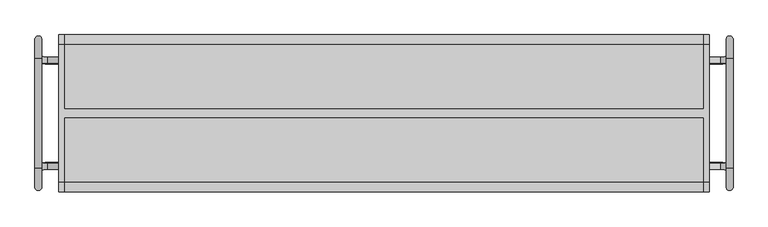
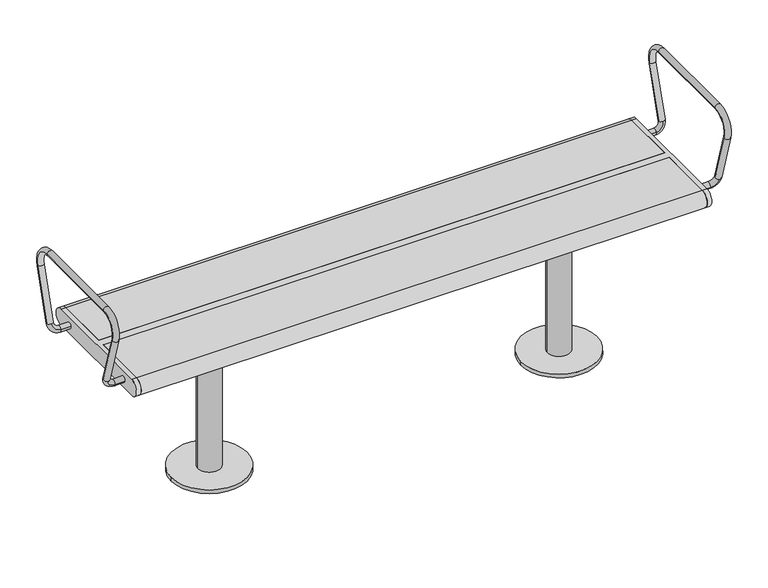
"""IFC4 building model written with IfcOpenShell, lengths in millimetres: furniture geometry."""

from ifc_helpers import new_model, si_unit, point, frame, frame_2d, origin, origin_with_axes, place, context, project, spatial, polyline, circle_curve, ellipse_curve, trimmed, segment, composite_curve, outline, extrude, source, transform, mapped, element, save
from ifc_brep_helpers import plane_surface, cylinder_surface, revolved_surface, advanced_brep


def furniture_1d0c3227(model_context):
    return source(origin(), model_context, "Body", "SolidModel", [
        extrude(outline(composite_curve([segment(trimmed(circle_curve(frame_2d((460.0, 0.0)), 100.0), [point((360.0, 0.0))], [point((560.0, 0.0))], False, "CARTESIAN"), True, "CONTINUOUS"), segment(trimmed(circle_curve(frame_2d((460.0, 0.0)), 100.0), [point((560.0, 0.0))], [point((360.0, 0.0))], False, "CARTESIAN"), True, "CONTINUOUS")], self_intersect=False)), origin_with_axes(), (0.0, 0.0, 1.0), 10.0),
        extrude(outline(composite_curve([segment(trimmed(circle_curve(frame_2d((460.0, 0.0)), 30.0), [point((430.0, 0.0))], [point((490.0, 0.0))], False, "CARTESIAN"), True, "CONTINUOUS"), segment(trimmed(circle_curve(frame_2d((460.0, 0.0)), 30.0), [point((490.0, 0.0))], [point((430.0, 0.0))], False, "CARTESIAN"), True, "CONTINUOUS")], self_intersect=False)), frame((0.0, 0.0, 10.0), z_axis=(0.0, 0.0, 1.0), x_axis=(1.0, 0.0, 0.0)), (0.0, 0.0, 1.0), 379.0),
        extrude(outline(polyline([(535.0, 125.0), (535.0, -125.0), (385.0, -125.0), (385.0, 125.0), (535.0, 125.0)])), frame((0.0, 0.0, 389.0), z_axis=(0.0, 0.0, 1.0), x_axis=(1.0, 0.0, 0.0)), (0.0, 0.0, 1.0), 16.0),
        extrude(outline(composite_curve([segment(trimmed(circle_curve(frame_2d((-460.0, 0.0)), 100.0), [point((-560.0, 0.0))], [point((-360.0, 0.0))], False, "CARTESIAN"), True, "CONTINUOUS"), segment(trimmed(circle_curve(frame_2d((-460.0, 0.0)), 100.0), [point((-360.0, 0.0))], [point((-560.0, 0.0))], False, "CARTESIAN"), True, "CONTINUOUS")], self_intersect=False)), origin_with_axes(), (0.0, 0.0, 1.0), 10.0),
        extrude(outline(composite_curve([segment(trimmed(circle_curve(frame_2d((-460.0, 0.0)), 30.0), [point((-490.0, 0.0))], [point((-430.0, 0.0))], False, "CARTESIAN"), True, "CONTINUOUS"), segment(trimmed(circle_curve(frame_2d((-460.0, 0.0)), 30.0), [point((-430.0, 0.0))], [point((-490.0, 0.0))], False, "CARTESIAN"), True, "CONTINUOUS")], self_intersect=False)), frame((0.0, 0.0, 10.0), z_axis=(0.0, 0.0, 1.0), x_axis=(1.0, 0.0, 0.0)), (0.0, 0.0, 1.0), 379.0),
        extrude(outline(polyline([(-385.0, 125.0), (-385.0, -125.0), (-535.0, -125.0), (-535.0, 125.0), (-385.0, 125.0)])), frame((0.0, 0.0, 389.0), z_axis=(0.0, 0.0, 1.0), x_axis=(1.0, 0.0, 0.0)), (0.0, 0.0, 1.0), 16.0),
        advanced_brep(
        [(797.0, 129.1398058, 447.5823999), (797.0, 170.6460701, 583.3432733), (813.0, 170.6460701, 583.3432733), (813.0, 129.1398058, 447.5823999), (805.0, 136.7902438, 445.2434262), (805.0, 121.4893678, 449.9213735), (813.0, 127.6123561, 641.5), (797.0, 127.6123561, 641.5), (797.0, -127.6123561, 641.5), (813.0, -127.6123561, 641.5), (797.0, -170.6460701, 583.3432733), (813.0, -170.6460701, 583.3432733), (797.0, -129.1398058, 447.5823999), (805.0, -136.7902438, 445.2434262), (813.0, -129.1398058, 447.5823999), (805.0, -121.4893678, 449.9213735), (784.0, -115.349562, 429.8389736), (784.0, -130.650438, 425.1610264), (757.0, -130.650438, 425.1610264), (757.0, -115.349562, 429.8389736), (784.0, 130.650438, 425.1610264), (784.0, 115.349562, 429.8389736), (757.0, 130.650438, 425.1610264), (757.0, 115.349562, 429.8389736)],
        [
            (0, 1),
            (1, 2, circle_curve(frame((805.0, 170.6460701, 583.3432733), z_axis=(0.0, -0.2923717047227381, -0.9563047559630351), x_axis=(-1.0, 0.0, 0.0)), 8.0)),
            (2, 3),
            (3, 4, circle_curve(frame((805.0, 129.1398058, 447.5823999), z_axis=(0.0, 0.2923717047227381, 0.9563047559630351), x_axis=(-1.0, 0.0, 0.0)), 8.0)),
            (4, 0, circle_curve(frame((805.0, 129.1398058, 447.5823999), z_axis=(0.0, 0.2923717047227381, 0.9563047559630351), x_axis=(-1.0, 0.0, 0.0)), 8.0)),
            (0, 5, circle_curve(frame((805.0, 129.1398058, 447.5823999), z_axis=(0.0, 0.2923717047227381, 0.9563047559630351), x_axis=(-1.0, 0.0, 0.0)), 8.0)),
            (5, 3, circle_curve(frame((805.0, 129.1398058, 447.5823999), z_axis=(0.0, 0.2923717047227381, 0.9563047559630351), x_axis=(-1.0, 0.0, 0.0)), 8.0)),
            (2, 1, circle_curve(frame((805.0, 170.6460701, 583.3432733), z_axis=(0.0, -0.2923717047227381, -0.9563047559630351), x_axis=(-1.0, 0.0, 0.0)), 8.0)),
            (6, 7, circle_curve(frame((805.0, 127.6123561, 641.5), z_axis=(0.0, -1.0, 0.0), x_axis=(-1.0, 0.0, 0.0)), 8.0)),
            (7, 8),
            (8, 9, circle_curve(frame((805.0, -127.6123561, 641.5), z_axis=(0.0, 1.0, 0.0), x_axis=(-1.0, 0.0, 0.0)), 8.0)),
            (9, 6),
            (7, 6, circle_curve(frame((805.0, 127.6123561, 641.5), z_axis=(0.0, -1.0, 0.0), x_axis=(-1.0, 0.0, 0.0)), 8.0)),
            (9, 8, circle_curve(frame((805.0, -127.6123561, 641.5), z_axis=(0.0, 1.0, 0.0), x_axis=(-1.0, 0.0, 0.0)), 8.0)),
            (1, 7, circle_curve(frame((797.0, 127.6123561, 596.5), z_axis=(1.0, 0.0, 0.0), x_axis=(0.0, 0.9563047559630351, -0.2923717047227379)), 45.0)),
            (6, 2, circle_curve(frame((813.0, 127.6123561, 596.5), z_axis=(-1.0, 0.0, 0.0), x_axis=(0.0, 0.9563047559630351, -0.2923717047227379)), 45.0)),
            (8, 10, circle_curve(frame((797.0, -127.6123561, 596.5), z_axis=(1.0, 0.0, 0.0), x_axis=(0.0, 0.0, 1.0)), 45.0)),
            (10, 11, circle_curve(frame((805.0, -170.6460701, 583.3432733), z_axis=(0.0, -0.29237170472274115, 0.9563047559630341), x_axis=(-1.0, 0.0, 0.0)), 8.0)),
            (11, 9, circle_curve(frame((813.0, -127.6123561, 596.5), z_axis=(-1.0, 0.0, 0.0), x_axis=(0.0, 0.0, 1.0)), 45.0)),
            (11, 10, circle_curve(frame((805.0, -170.6460701, 583.3432733), z_axis=(0.0, -0.29237170472274093, 0.9563047559630342), x_axis=(-1.0, 0.0, 0.0)), 8.0)),
            (10, 12),
            (12, 13, circle_curve(frame((805.0, -129.1398058, 447.5823999), z_axis=(0.0, -0.29237170472273494, 0.9563047559630361), x_axis=(-1.0, 0.0, 0.0)), 8.0)),
            (13, 14, circle_curve(frame((805.0, -129.1398058, 447.5823999), z_axis=(0.0, -0.29237170472273494, 0.9563047559630361), x_axis=(-1.0, 0.0, 0.0)), 8.0)),
            (14, 11),
            (14, 15, circle_curve(frame((805.0, -129.1398058, 447.5823999), z_axis=(0.0, -0.29237170472273494, 0.9563047559630361), x_axis=(-1.0, 0.0, 0.0)), 8.0)),
            (15, 12, circle_curve(frame((805.0, -129.1398058, 447.5823999), z_axis=(0.0, -0.29237170472273494, 0.9563047559630361), x_axis=(-1.0, 0.0, 0.0)), 8.0)),
            (16, 15, circle_curve(frame((784.0, -121.4893678, 449.9213735), z_axis=(0.0, -0.9563047559630359, -0.29237170472273544), x_axis=(1.0, 0.0, 0.0)), 21.0)),
            (13, 17, circle_curve(frame((784.0, -136.7902438, 445.2434262), z_axis=(0.0, 0.9563047559630359, 0.29237170472273544), x_axis=(1.0, 0.0, 0.0)), 21.0)),
            (17, 16, circle_curve(frame((784.0, -123.0, 427.5), z_axis=(1.0, 0.0, 0.0), x_axis=(0.0, 0.9563047559630359, 0.29237170472273544)), 8.0)),
            (16, 17, circle_curve(frame((784.0, -123.0, 427.5), z_axis=(1.0, 0.0, 0.0), x_axis=(0.0, 0.9563047559630359, 0.29237170472273544)), 8.0)),
            (18, 19, circle_curve(frame((757.0, -123.0, 427.5), z_axis=(-1.0, 0.0, 0.0), x_axis=(0.0, 0.956304755963036, 0.2923717047227355)), 8.0)),
            (19, 18, circle_curve(frame((757.0, -123.0, 427.5), z_axis=(-1.0, 0.0, 0.0), x_axis=(0.0, 0.956304755963036, 0.2923717047227355)), 8.0)),
            (17, 18),
            (19, 16),
            (20, 4, circle_curve(frame((784.0, 136.7902438, 445.2434262), z_axis=(0.0, -0.9563047559630359, 0.29237170472273544), x_axis=(1.0, 0.0, 0.0)), 21.0)),
            (5, 21, circle_curve(frame((784.0, 121.4893678, 449.9213735), z_axis=(0.0, 0.9563047559630359, -0.29237170472273544), x_axis=(1.0, 0.0, 0.0)), 21.0)),
            (21, 20, circle_curve(frame((784.0, 123.0, 427.5), z_axis=(1.0, 0.0, 0.0), x_axis=(0.0, -0.9563047559630359, 0.29237170472273544)), 8.0)),
            (20, 21, circle_curve(frame((784.0, 123.0, 427.5), z_axis=(1.0, 0.0, 0.0), x_axis=(0.0, -0.9563047559630359, 0.29237170472273544)), 8.0)),
            (22, 23, circle_curve(frame((757.0, 123.0, 427.5), z_axis=(-1.0, 0.0, 0.0), x_axis=(0.0, -0.956304755963036, 0.2923717047227355)), 8.0)),
            (23, 22, circle_curve(frame((757.0, 123.0, 427.5), z_axis=(-1.0, 0.0, 0.0), x_axis=(0.0, -0.956304755963036, 0.2923717047227355)), 8.0)),
            (21, 23),
            (22, 20),
        ],
        [
            cylinder_surface(frame((805.0, 129.1398058, 447.5823999), z_axis=(0.0, -0.2923717047227381, -0.9563047559630351), x_axis=(-1.0, 0.0, 0.0)), 8.0),
            cylinder_surface(frame((805.0, 127.6123561, 641.5), z_axis=(0.0, 1.0, 0.0), x_axis=(-1.0, 0.0, 0.0)), 8.0),
            revolved_surface(trimmed(ellipse_curve(frame((805.0, 170.6460701, 583.3432733), z_axis=(0.0, -0.2923717047227378, -0.9563047559630351), x_axis=(-1.0, 0.0, 0.0)), 8.0, 8.0), [point((797.0, 170.6460701, 583.3432733))], [point((813.0, 170.6460701, 583.3432733))], True, "CARTESIAN"), (0.0, 127.6123561, 596.5), (1.0, 0.0, 0.0)),
            revolved_surface(trimmed(ellipse_curve(frame((805.0, 170.6460701, 583.3432733), z_axis=(0.0, -0.2923717047227378, -0.9563047559630351), x_axis=(-1.0, 0.0, 0.0)), 8.0, 8.0), [point((813.0, 170.6460701, 583.3432733))], [point((797.0, 170.6460701, 583.3432733))], True, "CARTESIAN"), (0.0, 127.6123561, 596.5), (1.0, 0.0, 0.0)),
            revolved_surface(trimmed(ellipse_curve(frame((805.0, -127.6123561, 641.5), z_axis=(0.0, 1.0, 0.0), x_axis=(-1.0, 0.0, 0.0)), 8.0, 8.0), [point((797.0, -127.6123561, 641.5))], [point((813.0, -127.6123561, 641.5))], True, "CARTESIAN"), (0.0, -127.6123561, 596.5), (1.0, 0.0, 0.0)),
            revolved_surface(trimmed(ellipse_curve(frame((805.0, -127.6123561, 641.5), z_axis=(0.0, 1.0, 0.0), x_axis=(-1.0, 0.0, 0.0)), 8.0, 8.0), [point((813.0, -127.6123561, 641.5))], [point((797.0, -127.6123561, 641.5))], True, "CARTESIAN"), (0.0, -127.6123561, 596.5), (1.0, 0.0, 0.0)),
            cylinder_surface(frame((805.0, -170.6460701, 583.3432733), z_axis=(0.0, -0.29237170472273494, 0.9563047559630361), x_axis=(-1.0, 0.0, 0.0)), 8.0),
            revolved_surface(trimmed(ellipse_curve(frame((805.0, -129.1398058, 447.5823999), z_axis=(0.0, -0.29237170472273544, 0.9563047559630359), x_axis=(0.0, 0.9563047559630359, 0.29237170472273544)), 8.0, 8.0), [point((805.0, -136.7902438, 445.2434262))], [point((805.0, -121.4893678, 449.9213735))], True, "CARTESIAN"), (784.0, -11.5143208, 483.5441196), (0.0, 0.9563047559630359, 0.29237170472273544)),
            revolved_surface(trimmed(ellipse_curve(frame((805.0, -129.1398058, 447.5823999), z_axis=(0.0, -0.29237170472273544, 0.9563047559630359), x_axis=(0.0, 0.9563047559630359, 0.29237170472273544)), 8.0, 8.0), [point((805.0, -121.4893678, 449.9213735))], [point((805.0, -136.7902438, 445.2434262))], True, "CARTESIAN"), (784.0, -11.5143208, 483.5441196), (0.0, 0.9563047559630359, 0.29237170472273544)),
            plane_surface(frame((757.0, -5.374515, 463.4617197), z_axis=(-1.0, 0.0, 0.0), x_axis=(0.0, 0.9563047559630359, 0.29237170472273544))),
            cylinder_surface(frame((784.0, -123.0, 427.5), z_axis=(1.0, 0.0, 0.0), x_axis=(0.0, 0.956304755963036, 0.2923717047227355)), 8.0),
            revolved_surface(trimmed(ellipse_curve(frame((805.0, 129.1398058, 447.5823999), z_axis=(0.0, 0.29237170472273544, 0.9563047559630359), x_axis=(0.0, -0.9563047559630359, 0.29237170472273544)), 8.0, 8.0), [point((805.0, 121.4893678, 449.9213735))], [point((805.0, 136.7902438, 445.2434262))], True, "CARTESIAN"), (784.0, 11.5143208, 483.5441196), (0.0, 0.9563047559630359, -0.29237170472273544)),
            revolved_surface(trimmed(ellipse_curve(frame((805.0, 129.1398058, 447.5823999), z_axis=(0.0, 0.29237170472273544, 0.9563047559630359), x_axis=(0.0, -0.9563047559630359, 0.29237170472273544)), 8.0, 8.0), [point((805.0, 136.7902438, 445.2434262))], [point((805.0, 121.4893678, 449.9213735))], True, "CARTESIAN"), (784.0, 11.5143208, 483.5441196), (0.0, 0.9563047559630359, -0.29237170472273544)),
            plane_surface(frame((757.0, 5.374515, 463.4617197), z_axis=(-1.0, 0.0, 0.0), x_axis=(0.0, -0.9563047559630359, 0.29237170472273544))),
            cylinder_surface(frame((784.0, 123.0, 427.5), z_axis=(1.0, 0.0, 0.0), x_axis=(0.0, -0.956304755963036, 0.2923717047227355)), 8.0),
        ],
        [
            (0, [[1, 2, 3, 4, 5]]),
            (0, [[-1, 6, 7, -3, 8]]),
            (1, [[9, 10, 11, 12]]),
            (1, [[-10, 13, -12, 14]]),
            (2, [[-2, 15, -9, 16]]),
            (3, [[-8, -16, -13, -15]]),
            (4, [[-11, 17, 18, 19]]),
            (5, [[-14, -19, 20, -17]]),
            (6, [[-18, 21, 22, 23, 24]]),
            (6, [[-20, -24, 25, 26, -21]]),
            (7, [[27, -25, -23, 28, 29]]),
            (8, [[-27, 30, -28, -22, -26]]),
            (9, [[31, 32]]),
            (10, [[-29, 33, -32, 34]]),
            (10, [[-30, -34, -31, -33]]),
            (11, [[35, -4, -7, 36, 37]]),
            (12, [[-35, 38, -36, -6, -5]]),
            (13, [[39, 40]]),
            (14, [[-37, 41, -39, 42]]),
            (14, [[-38, -42, -40, -41]]),
        ],
    ),
        advanced_brep(
        [(-784.0, -130.650438, 425.1610264), (-805.0, -136.7902438, 445.2434262), (-813.0, -129.1398058, 447.5823999), (-805.0, -121.4893678, 449.9213735), (-784.0, -115.349562, 429.8389736), (-797.0, -129.1398058, 447.5823999), (-757.0, -130.650438, 425.1610264), (-757.0, -115.349562, 429.8389736), (-813.0, 129.1398058, 447.5823999), (-813.0, 170.6460701, 583.3432733), (-797.0, 170.6460701, 583.3432733), (-797.0, 129.1398058, 447.5823999), (-805.0, 136.7902438, 445.2434262), (-805.0, 121.4893678, 449.9213735), (-797.0, 127.6123561, 641.5), (-813.0, 127.6123561, 641.5), (-813.0, -127.6123561, 641.5), (-797.0, -127.6123561, 641.5), (-813.0, -170.6460701, 583.3432733), (-797.0, -170.6460701, 583.3432733), (-784.0, 115.349562, 429.8389736), (-784.0, 130.650438, 425.1610264), (-757.0, 130.650438, 425.1610264), (-757.0, 115.349562, 429.8389736)],
        [
            (0, 1, circle_curve(frame((-784.0, -136.7902438, 445.2434262), z_axis=(0.0, 0.9563047559630359, 0.29237170472273544), x_axis=(-1.0, 0.0, 0.0)), 21.0)),
            (1, 2, circle_curve(frame((-805.0, -129.1398058, 447.5823999), z_axis=(0.0, 0.29237170472273544, -0.9563047559630359), x_axis=(0.0, 0.9563047559630359, 0.29237170472273544)), 8.0)),
            (2, 3, circle_curve(frame((-805.0, -129.1398058, 447.5823999), z_axis=(0.0, 0.29237170472273544, -0.9563047559630359), x_axis=(0.0, 0.9563047559630359, 0.29237170472273544)), 8.0)),
            (3, 4, circle_curve(frame((-784.0, -121.4893678, 449.9213735), z_axis=(0.0, -0.9563047559630359, -0.29237170472273544), x_axis=(-1.0, 0.0, 0.0)), 21.0)),
            (4, 0, circle_curve(frame((-784.0, -123.0, 427.5), z_axis=(-1.0, 0.0, 0.0), x_axis=(0.0, 0.9563047559630359, 0.29237170472273544)), 8.0)),
            (0, 4, circle_curve(frame((-784.0, -123.0, 427.5), z_axis=(-1.0, 0.0, 0.0), x_axis=(0.0, 0.9563047559630359, 0.29237170472273544)), 8.0)),
            (3, 5, circle_curve(frame((-805.0, -129.1398058, 447.5823999), z_axis=(0.0, 0.29237170472273544, -0.9563047559630359), x_axis=(0.0, 0.9563047559630359, 0.29237170472273544)), 8.0)),
            (5, 1, circle_curve(frame((-805.0, -129.1398058, 447.5823999), z_axis=(0.0, 0.29237170472273544, -0.9563047559630359), x_axis=(0.0, 0.9563047559630359, 0.29237170472273544)), 8.0)),
            (6, 7, circle_curve(frame((-757.0, -123.0, 427.5), z_axis=(1.0, 0.0, 0.0), x_axis=(0.0, 0.956304755963036, 0.2923717047227355)), 8.0)),
            (7, 6, circle_curve(frame((-757.0, -123.0, 427.5), z_axis=(1.0, 0.0, 0.0), x_axis=(0.0, 0.956304755963036, 0.2923717047227355)), 8.0)),
            (4, 7),
            (6, 0),
            (8, 9),
            (9, 10, circle_curve(frame((-805.0, 170.6460701, 583.3432733), z_axis=(0.0, -0.2923717047227381, -0.9563047559630351), x_axis=(1.0, 0.0, 0.0)), 8.0)),
            (10, 11),
            (11, 12, circle_curve(frame((-805.0, 129.1398058, 447.5823999), z_axis=(0.0, 0.2923717047227381, 0.9563047559630351), x_axis=(1.0, 0.0, 0.0)), 8.0)),
            (12, 8, circle_curve(frame((-805.0, 129.1398058, 447.5823999), z_axis=(0.0, 0.2923717047227381, 0.9563047559630351), x_axis=(1.0, 0.0, 0.0)), 8.0)),
            (8, 13, circle_curve(frame((-805.0, 129.1398058, 447.5823999), z_axis=(0.0, 0.2923717047227381, 0.9563047559630351), x_axis=(1.0, 0.0, 0.0)), 8.0)),
            (13, 11, circle_curve(frame((-805.0, 129.1398058, 447.5823999), z_axis=(0.0, 0.2923717047227381, 0.9563047559630351), x_axis=(1.0, 0.0, 0.0)), 8.0)),
            (10, 9, circle_curve(frame((-805.0, 170.6460701, 583.3432733), z_axis=(0.0, -0.2923717047227381, -0.9563047559630351), x_axis=(1.0, 0.0, 0.0)), 8.0)),
            (14, 15, circle_curve(frame((-805.0, 127.6123561, 641.5), z_axis=(0.0, -1.0, 0.0), x_axis=(1.0, 0.0, 0.0)), 8.0)),
            (15, 16),
            (16, 17, circle_curve(frame((-805.0, -127.6123561, 641.5), z_axis=(0.0, 1.0, 0.0), x_axis=(1.0, 0.0, 0.0)), 8.0)),
            (17, 14),
            (15, 14, circle_curve(frame((-805.0, 127.6123561, 641.5), z_axis=(0.0, -1.0, 0.0), x_axis=(1.0, 0.0, 0.0)), 8.0)),
            (17, 16, circle_curve(frame((-805.0, -127.6123561, 641.5), z_axis=(0.0, 1.0, 0.0), x_axis=(1.0, 0.0, 0.0)), 8.0)),
            (9, 15, circle_curve(frame((-813.0, 127.6123561, 596.5), z_axis=(1.0, 0.0, 0.0), x_axis=(0.0, 0.9563047559630351, -0.2923717047227379)), 45.0)),
            (14, 10, circle_curve(frame((-797.0, 127.6123561, 596.5), z_axis=(-1.0, 0.0, 0.0), x_axis=(0.0, 0.9563047559630351, -0.2923717047227379)), 45.0)),
            (16, 18, circle_curve(frame((-813.0, -127.6123561, 596.5), z_axis=(1.0, 0.0, 0.0), x_axis=(0.0, 0.0, 1.0)), 45.0)),
            (18, 19, circle_curve(frame((-805.0, -170.6460701, 583.3432733), z_axis=(0.0, -0.2923717047227414, 0.9563047559630341), x_axis=(1.0, 0.0, 0.0)), 8.0)),
            (19, 17, circle_curve(frame((-797.0, -127.6123561, 596.5), z_axis=(-1.0, 0.0, 0.0), x_axis=(0.0, 0.0, 1.0)), 45.0)),
            (19, 18, circle_curve(frame((-805.0, -170.6460701, 583.3432733), z_axis=(0.0, -0.2923717047227414, 0.9563047559630341), x_axis=(1.0, 0.0, 0.0)), 8.0)),
            (18, 2),
            (5, 19),
            (20, 13, circle_curve(frame((-784.0, 121.4893678, 449.9213735), z_axis=(0.0, 0.9563047559630359, -0.29237170472273544), x_axis=(-1.0, 0.0, 0.0)), 21.0)),
            (12, 21, circle_curve(frame((-784.0, 136.7902438, 445.2434262), z_axis=(0.0, -0.9563047559630359, 0.29237170472273544), x_axis=(-1.0, 0.0, 0.0)), 21.0)),
            (21, 20, circle_curve(frame((-784.0, 123.0, 427.5), z_axis=(-1.0, 0.0, 0.0), x_axis=(0.0, -0.9563047559630359, 0.29237170472273544)), 8.0)),
            (20, 21, circle_curve(frame((-784.0, 123.0, 427.5), z_axis=(-1.0, 0.0, 0.0), x_axis=(0.0, -0.9563047559630359, 0.29237170472273544)), 8.0)),
            (22, 23, circle_curve(frame((-757.0, 123.0, 427.5), z_axis=(1.0, 0.0, 0.0), x_axis=(0.0, -0.956304755963036, 0.2923717047227355)), 8.0)),
            (23, 22, circle_curve(frame((-757.0, 123.0, 427.5), z_axis=(1.0, 0.0, 0.0), x_axis=(0.0, -0.956304755963036, 0.2923717047227355)), 8.0)),
            (21, 22),
            (23, 20),
        ],
        [
            revolved_surface(trimmed(ellipse_curve(frame((-805.0, -129.1398058, 447.5823999), z_axis=(0.0, -0.29237170472273544, 0.9563047559630359), x_axis=(0.0, 0.9563047559630359, 0.29237170472273544)), 8.0, 8.0), [point((-805.0, -121.4893678, 449.9213735))], [point((-805.0, -136.7902438, 445.2434262))], True, "CARTESIAN"), (-784.0, -11.5143208, 483.5441196), (0.0, -0.9563047559630359, -0.29237170472273544)),
            revolved_surface(trimmed(ellipse_curve(frame((-805.0, -129.1398058, 447.5823999), z_axis=(0.0, -0.29237170472273544, 0.9563047559630359), x_axis=(0.0, 0.9563047559630359, 0.29237170472273544)), 8.0, 8.0), [point((-805.0, -136.7902438, 445.2434262))], [point((-805.0, -121.4893678, 449.9213735))], True, "CARTESIAN"), (-784.0, -11.5143208, 483.5441196), (0.0, -0.9563047559630359, -0.29237170472273544)),
            plane_surface(frame((-757.0, -5.374515, 463.4617197), z_axis=(1.0, 0.0, 0.0), x_axis=(0.0, 0.9563047559630359, 0.29237170472273544))),
            cylinder_surface(frame((-784.0, -123.0, 427.5), z_axis=(-1.0, 0.0, 0.0), x_axis=(0.0, 0.956304755963036, 0.2923717047227355)), 8.0),
            cylinder_surface(frame((-805.0, 129.1398058, 447.5823999), z_axis=(0.0, -0.2923717047227381, -0.9563047559630351), x_axis=(1.0, 0.0, 0.0)), 8.0),
            cylinder_surface(frame((-805.0, 127.6123561, 641.5), z_axis=(0.0, 1.0, 0.0), x_axis=(1.0, 0.0, 0.0)), 8.0),
            revolved_surface(trimmed(ellipse_curve(frame((-805.0, 170.6460701, 583.3432733), z_axis=(0.0, -0.2923717047227378, -0.9563047559630351), x_axis=(1.0, 0.0, 0.0)), 8.0, 8.0), [point((-813.0, 170.6460701, 583.3432733))], [point((-797.0, 170.6460701, 583.3432733))], True, "CARTESIAN"), (0.0, 127.6123561, 596.5), (1.0, 0.0, 0.0)),
            revolved_surface(trimmed(ellipse_curve(frame((-805.0, 170.6460701, 583.3432733), z_axis=(0.0, -0.2923717047227378, -0.9563047559630351), x_axis=(1.0, 0.0, 0.0)), 8.0, 8.0), [point((-797.0, 170.6460701, 583.3432733))], [point((-813.0, 170.6460701, 583.3432733))], True, "CARTESIAN"), (0.0, 127.6123561, 596.5), (1.0, 0.0, 0.0)),
            revolved_surface(trimmed(ellipse_curve(frame((-805.0, -127.6123561, 641.5), z_axis=(0.0, 1.0, 0.0), x_axis=(1.0, 0.0, 0.0)), 8.0, 8.0), [point((-813.0, -127.6123561, 641.5))], [point((-797.0, -127.6123561, 641.5))], True, "CARTESIAN"), (0.0, -127.6123561, 596.5), (1.0, 0.0, 0.0)),
            revolved_surface(trimmed(ellipse_curve(frame((-805.0, -127.6123561, 641.5), z_axis=(0.0, 1.0, 0.0), x_axis=(1.0, 0.0, 0.0)), 8.0, 8.0), [point((-797.0, -127.6123561, 641.5))], [point((-813.0, -127.6123561, 641.5))], True, "CARTESIAN"), (0.0, -127.6123561, 596.5), (1.0, 0.0, 0.0)),
            cylinder_surface(frame((-805.0, -170.6460701, 583.3432733), z_axis=(0.0, -0.29237170472273494, 0.9563047559630361), x_axis=(1.0, 0.0, 0.0)), 8.0),
            revolved_surface(trimmed(ellipse_curve(frame((-805.0, 129.1398058, 447.5823999), z_axis=(0.0, 0.29237170472273544, 0.9563047559630359), x_axis=(0.0, -0.9563047559630359, 0.29237170472273544)), 8.0, 8.0), [point((-805.0, 136.7902438, 445.2434262))], [point((-805.0, 121.4893678, 449.9213735))], True, "CARTESIAN"), (-784.0, 11.5143208, 483.5441196), (0.0, -0.9563047559630359, 0.29237170472273544)),
            revolved_surface(trimmed(ellipse_curve(frame((-805.0, 129.1398058, 447.5823999), z_axis=(0.0, 0.29237170472273544, 0.9563047559630359), x_axis=(0.0, -0.9563047559630359, 0.29237170472273544)), 8.0, 8.0), [point((-805.0, 121.4893678, 449.9213735))], [point((-805.0, 136.7902438, 445.2434262))], True, "CARTESIAN"), (-784.0, 11.5143208, 483.5441196), (0.0, -0.9563047559630359, 0.29237170472273544)),
            plane_surface(frame((-757.0, 5.374515, 463.4617197), z_axis=(1.0, 0.0, 0.0), x_axis=(0.0, -0.9563047559630359, 0.29237170472273544))),
            cylinder_surface(frame((-784.0, 123.0, 427.5), z_axis=(-1.0, 0.0, 0.0), x_axis=(0.0, -0.956304755963036, 0.2923717047227355)), 8.0),
        ],
        [
            (0, [[1, 2, 3, 4, 5]]),
            (1, [[-1, 6, -4, 7, 8]]),
            (2, [[9, 10]]),
            (3, [[-5, 11, -9, 12]]),
            (3, [[-6, -12, -10, -11]]),
            (4, [[13, 14, 15, 16, 17]]),
            (4, [[-13, 18, 19, -15, 20]]),
            (5, [[21, 22, 23, 24]]),
            (5, [[-22, 25, -24, 26]]),
            (6, [[-14, 27, -21, 28]]),
            (7, [[-20, -28, -25, -27]]),
            (8, [[-23, 29, 30, 31]]),
            (9, [[-26, -31, 32, -29]]),
            (10, [[-30, 33, -2, -8, 34]]),
            (10, [[-32, -34, -7, -3, -33]]),
            (11, [[35, -18, -17, 36, 37]]),
            (12, [[-35, 38, -36, -16, -19]]),
            (13, [[39, 40]]),
            (14, [[-37, 41, -40, 42]]),
            (14, [[-38, -42, -39, -41]]),
        ],
    ),
        advanced_brep(
        [(757.0, -160.5, 405.0), (757.0, 160.5, 405.0), (757.0, 160.5, 450.0), (757.0, -160.5, 450.0), (745.0, -160.5, 405.0), (745.0, -160.5, 450.0), (745.0, -10.0, 450.0), (745.0, -10.0, 405.0), (745.0, 160.5, 450.0), (745.0, 160.5, 405.0), (745.0, 10.0, 405.0), (745.0, 10.0, 450.0), (-745.0, 10.0, 450.0), (-745.0, 160.5, 450.0), (-757.0, 160.5, 450.0), (-757.0, -160.5, 450.0), (-745.0, -160.5, 450.0), (-745.0, -10.0, 450.0), (-745.0, -10.0, 405.0), (-745.0, -160.5, 405.0), (-757.0, -160.5, 405.0), (-757.0, 160.5, 405.0), (-745.0, 160.5, 405.0), (-745.0, 10.0, 405.0)],
        [
            (0, 1),
            (1, 2, circle_curve(frame((757.0, 160.5, 427.5), z_axis=(1.0, 0.0, 0.0), x_axis=(0.0, 1.0, 0.0)), 22.5)),
            (2, 3),
            (3, 0, circle_curve(frame((757.0, -160.5, 427.5), z_axis=(1.0, 0.0, 0.0), x_axis=(0.0, -1.0, 0.0)), 22.5)),
            (4, 5, circle_curve(frame((745.0, -160.5, 427.5), z_axis=(-1.0, 0.0, 0.0), x_axis=(0.0, -1.0, 0.0)), 22.5)),
            (5, 6),
            (6, 7),
            (7, 4),
            (8, 9, circle_curve(frame((745.0, 160.5, 427.5), z_axis=(-1.0, 0.0, 0.0), x_axis=(0.0, 1.0, 0.0)), 22.5)),
            (9, 10),
            (10, 11),
            (11, 8),
            (2, 8),
            (11, 12),
            (12, 13),
            (13, 14),
            (14, 15),
            (15, 16),
            (16, 17),
            (17, 6),
            (5, 3),
            (0, 4),
            (7, 18),
            (18, 19),
            (19, 20),
            (20, 21),
            (21, 22),
            (22, 23),
            (23, 10),
            (9, 1),
            (17, 18),
            (23, 12),
            (22, 13, circle_curve(frame((-745.0, 160.5, 427.5), z_axis=(1.0, 0.0, 0.0), x_axis=(0.0, -1.0, 0.0)), 22.5)),
            (16, 19, circle_curve(frame((-745.0, -160.5, 427.5), z_axis=(1.0, 0.0, 0.0), x_axis=(0.0, -1.0, 0.0)), 22.5)),
            (20, 15, circle_curve(frame((-757.0, -160.5, 427.5), z_axis=(-1.0, 0.0, 0.0), x_axis=(0.0, -1.0, 0.0)), 22.5)),
            (14, 21, circle_curve(frame((-757.0, 160.5, 427.5), z_axis=(-1.0, 0.0, 0.0), x_axis=(0.0, -1.0, 0.0)), 22.5)),
        ],
        [
            plane_surface(frame((757.0, 160.5, 405.0), z_axis=(1.0, 0.0, 0.0), x_axis=(0.0, 1.0, 0.0))),
            plane_surface(frame((745.0, 160.5, 405.0), z_axis=(-1.0, 0.0, 0.0), x_axis=(0.0, -1.0, 0.0))),
            plane_surface(frame((757.0, 160.5, 450.0), z_axis=(0.0, 0.0, 1.0), x_axis=(-1.0, 0.0, 0.0))),
            plane_surface(frame((757.0, -160.5, 405.0), z_axis=(0.0, 0.0, -1.0), x_axis=(-1.0, 0.0, 0.0))),
            cylinder_surface(frame((745.0, -160.5, 427.5), z_axis=(1.0, 0.0, 0.0), x_axis=(0.0, -1.0, 0.0)), 22.5),
            cylinder_surface(frame((745.0, 160.5, 427.5), z_axis=(1.0, 0.0, 0.0), x_axis=(0.0, 1.0, 0.0)), 22.5),
            plane_surface(frame((745.0, -10.0, 450.0), z_axis=(0.0, -1.0, 0.0), x_axis=(-1.0, 0.0, 0.0))),
            plane_surface(frame((745.0, 10.0, 405.0), z_axis=(0.0, 1.0, 0.0), x_axis=(-1.0, 0.0, 0.0))),
            plane_surface(frame((-745.0, 160.5, 405.0), z_axis=(1.0, 0.0, 0.0), x_axis=(0.0, 1.0, 0.0))),
            plane_surface(frame((-757.0, 160.5, 405.0), z_axis=(-1.0, 0.0, 0.0), x_axis=(0.0, -1.0, 0.0))),
            cylinder_surface(frame((-757.0, -160.5, 427.5), z_axis=(1.0, 0.0, 0.0), x_axis=(0.0, -1.0, 0.0)), 22.5),
            cylinder_surface(frame((-757.0, 160.5, 427.5), z_axis=(1.0, 0.0, 0.0), x_axis=(0.0, -1.0, 0.0)), 22.5),
        ],
        [
            (0, [[1, 2, 3, 4]]),
            (1, [[5, 6, 7, 8]]),
            (1, [[9, 10, 11, 12]]),
            (2, [[-3, 13, -12, 14, 15, 16, 17, 18, 19, 20, -6, 21]]),
            (3, [[-1, 22, -8, 23, 24, 25, 26, 27, 28, 29, -10, 30]]),
            (4, [[-4, -21, -5, -22]]),
            (5, [[-2, -30, -9, -13]]),
            (6, [[-20, 31, -23, -7]]),
            (7, [[-14, -11, -29, 32]]),
            (8, [[33, -15, -32, -28]]),
            (8, [[34, -24, -31, -19]]),
            (9, [[35, -17, 36, -26]]),
            (10, [[-34, -18, -35, -25]]),
            (11, [[-33, -27, -36, -16]]),
        ],
    ),
        extrude(outline(composite_curve([segment(polyline([(10.0, 405.0), (10.0, 450.0), (160.5, 450.0)]), True, "CONTINUOUS"), segment(trimmed(circle_curve(frame_2d((160.5, 427.5)), 22.5), [point((160.5, 450.0))], [point((160.5, 405.0))], False, "CARTESIAN"), True, "CONTINUOUS"), segment(polyline([(160.5, 405.0), (10.0, 405.0)]), True, "CONTINUOUS")], self_intersect=False)), frame((-745.0, 0.0, 0.0), z_axis=(1.0, 0.0, 0.0), x_axis=(0.0, 1.0, 0.0)), (0.0, 0.0, 1.0), 1490.0),
        extrude(outline(composite_curve([segment(polyline([(-10.0, 405.0), (-160.5, 405.0)]), True, "CONTINUOUS"), segment(trimmed(circle_curve(frame_2d((-160.5, 427.5)), 22.5), [point((-160.5, 405.0))], [point((-160.5, 450.0))], False, "CARTESIAN"), True, "CONTINUOUS"), segment(polyline([(-160.5, 450.0), (-10.0, 450.0), (-10.0, 405.0)]), True, "CONTINUOUS")], self_intersect=False)), frame((-745.0, 0.0, 0.0), z_axis=(1.0, 0.0, 0.0), x_axis=(0.0, 1.0, 0.0)), (0.0, 0.0, 1.0), 1490.0),
    ])


if __name__ == "__main__":
    model = new_model("IFC4")
    model_context = context("Model", 3, world=origin())
    ifc_project = project(units=[si_unit("LENGTHUNIT", "METRE", prefix="MILLI")], contexts=[model_context])
    site = spatial("IfcSite", under=ifc_project)
    building = spatial("IfcBuilding", under=site)
    placement = place(None, origin())
    furniture_shape = furniture_1d0c3227(model_context)
    element("IfcFurniture", 1, at=placement, inside=building, context=model_context, shape_type="MappedRepresentation", body=[
        mapped(furniture_shape, transform((0.0, 0.0, 0.0), x_axis=(1.0, 0.0, 0.0), y_axis=(0.0, 1.0, 0.0), z_axis=(0.0, 0.0, 1.0))),
    ])
    save(model, "model.ifc")
